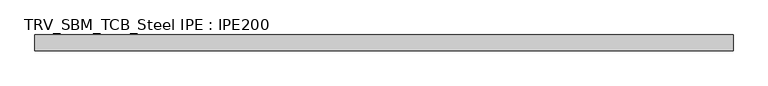
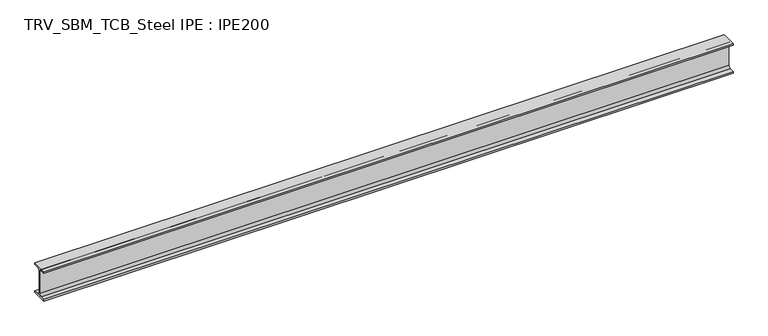
"""IFC4 building model written with IfcOpenShell, lengths in millimetres: beam geometry, TRV_SBM_TCB_Steel IPE : IPE200."""

from ifc_helpers import new_model, si_unit, point, frame, frame_2d, origin, place, context, project, spatial, polyline, circle_curve, trimmed, segment, composite_curve, outline, extrude, source, transform, mapped, element, save


def trv_sbm_tcb_steel_ipe_ipe200_b878f9d3(model_context):
    return source(origin(), model_context, "Body", "SweptSolid", [
        extrude(outline(composite_curve([segment(polyline([(50.0, -89.3), (50.0, -100.0), (-50.0, -100.0), (-50.0, -89.3), (-18.55, -89.3)]), True, "CONTINUOUS"), segment(trimmed(circle_curve(frame_2d((-18.55, -74.3)), 15.0), [point((-18.55, -89.3))], [point((-3.55, -74.3))], True, "CARTESIAN"), True, "CONTINUOUS"), segment(polyline([(-3.55, -74.3), (-3.55, 74.3)]), True, "CONTINUOUS"), segment(trimmed(circle_curve(frame_2d((-18.55, 74.3)), 15.0), [point((-3.55, 74.3))], [point((-18.55, 89.3))], True, "CARTESIAN"), True, "CONTINUOUS"), segment(polyline([(-18.55, 89.3), (-50.0, 89.3), (-50.0, 100.0), (50.0, 100.0), (50.0, 89.3), (18.55, 89.3)]), True, "CONTINUOUS"), segment(trimmed(circle_curve(frame_2d((18.55, 74.3)), 15.0), [point((18.55, 89.3))], [point((3.55, 74.3))], True, "CARTESIAN"), True, "CONTINUOUS"), segment(polyline([(3.55, 74.3), (3.55, -74.3)]), True, "CONTINUOUS"), segment(trimmed(circle_curve(frame_2d((18.55, -74.3)), 15.0), [point((3.55, -74.3))], [point((18.55, -89.3))], True, "CARTESIAN"), True, "CONTINUOUS"), segment(polyline([(18.55, -89.3), (50.0, -89.3)]), True, "CONTINUOUS")], self_intersect=False)), frame((-2212.5, 0.0, 0.0), z_axis=(1.0, 0.0, 0.0), x_axis=(0.0, 1.0, 0.0)), (0.0, 0.0, 1.0), 4421.0),
    ])


if __name__ == "__main__":
    model = new_model("IFC4")
    model_context = context("Model", 3, world=origin())
    ifc_project = project(units=[si_unit("LENGTHUNIT", "METRE", prefix="MILLI")], contexts=[model_context])
    site = spatial("IfcSite", under=ifc_project)
    building = spatial("IfcBuilding", under=site)
    placement = place(None, origin())
    trv_sbm_tcb_steel_ipe_ipe200_shape = trv_sbm_tcb_steel_ipe_ipe200_b878f9d3(model_context)
    element("IfcBeam", 1, ObjectType="TRV_SBM_TCB_Steel IPE : IPE200", at=placement, inside=building, context=model_context, shape_type="MappedRepresentation", body=[
        mapped(trv_sbm_tcb_steel_ipe_ipe200_shape, transform((0.0, 0.0, 0.0), x_axis=(1.0, 0.0, 0.0), y_axis=(0.0, 1.0, 0.0), z_axis=(0.0, 0.0, 1.0))),
    ])
    save(model, "model.ifc")
